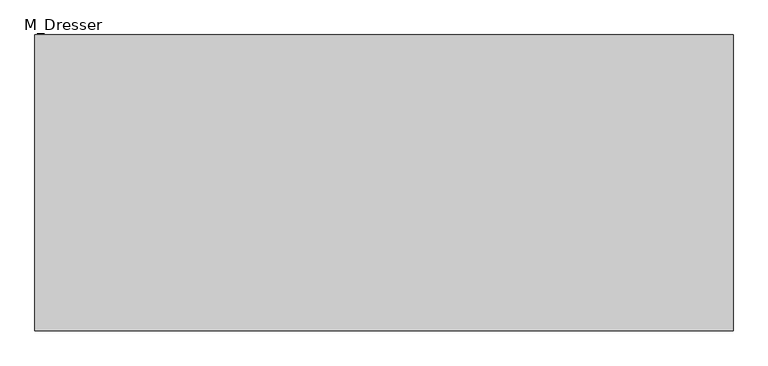
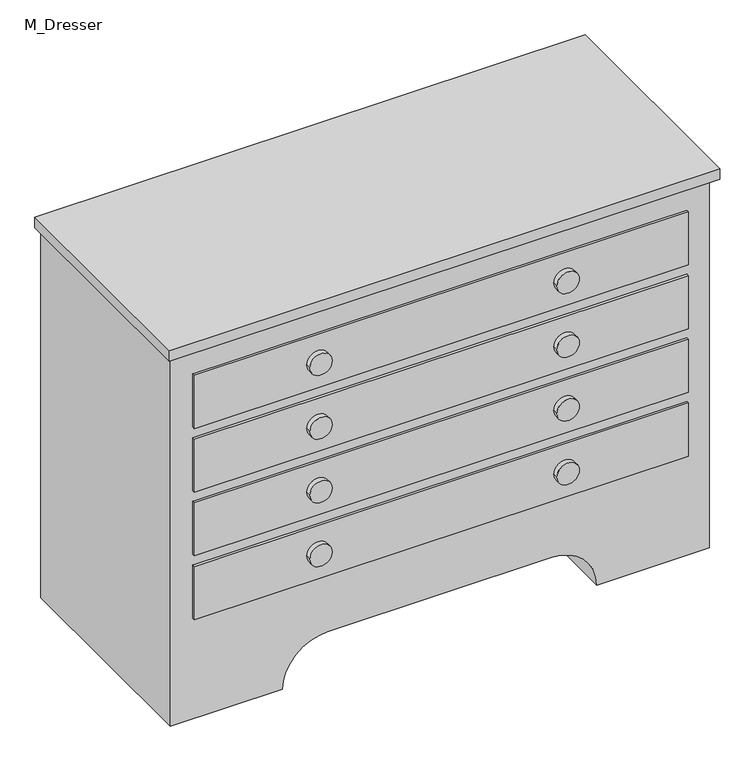
"""IFC4 building model written with IfcOpenShell, lengths in millimetres: furniture geometry, M_Dresser."""

import ifcopenshell
import ifcopenshell.guid

model = None  # the IFC model being written
_history = None  # IfcOwnerHistory: only IFC2X3 demands one
_inside = {}  # id of a spatial element -> (the spatial element, [elements in it])
_under = {}  # id of a project, library or spatial element -> (it, [spatial elements below it])
_declared = {}  # id of a project -> (the project, [libraries it declares])
_typed = {}  # id of a type object -> (the type object, [elements of that type])
_made_of = {}  # id of a material, layer set ... -> (it, [elements and type objects made of it])


def new_model(schema):
    """Start an empty IFC model of exactly this schema.

    Asked for "IFC4X3", IfcOpenShell would pick the latest addendum, in which some entities
    have other attributes; the version numbers below select the first issue.
    IFC2X3 requires an IfcOwnerHistory on every rooted entity: one is made here for all.
    """
    global model, _history
    if schema == "IFC4X3":
        model = ifcopenshell.file(schema_version=(4, 3, 0, 0))
    else:
        model = ifcopenshell.file(schema=schema)
    _inside.clear()
    _under.clear()
    _declared.clear()
    _typed.clear()
    _made_of.clear()
    _history = None
    if model.schema == "IFC2X3":
        org = make("IfcOrganization", Name="unknown")
        user = make(
            "IfcPersonAndOrganization",
            ThePerson=make("IfcPerson", FamilyName="unknown"),
            TheOrganization=org,
        )
        app = make(
            "IfcApplication",
            ApplicationDeveloper=org,
            Version="unknown",
            ApplicationFullName="unknown",
            ApplicationIdentifier="unknown",
        )
        _history = make(
            "IfcOwnerHistory",
            OwningUser=user,
            OwningApplication=app,
            ChangeAction="ADDED",
            CreationDate=0,
        )
    return model


def make(cls, **values):
    """One entity of the class cls with the attributes given. An attribute that is None is left unset."""
    return model.create_entity(
        cls, **{name: value for name, value in values.items() if value is not None}
    )


def rooted(cls, **values):
    """An entity with a GlobalId (a new one), such as an element, a storey or a relation."""
    return make(cls, GlobalId=ifcopenshell.guid.new(), OwnerHistory=_history, **values)


def si_unit(unit_type, name, prefix=None):
    """IfcSIUnit, for example si_unit("LENGTHUNIT", "METRE", prefix="MILLI")."""
    return make("IfcSIUnit", UnitType=unit_type, Prefix=prefix, Name=name)


def assignment(units):
    """IfcUnitAssignment: the units of a project."""
    return None if units is None else make("IfcUnitAssignment", Units=units)


def point(xyz):
    """IfcCartesianPoint."""
    return None if xyz is None else make("IfcCartesianPoint", Coordinates=xyz)


def direction(xyz):
    """IfcDirection."""
    return None if xyz is None else make("IfcDirection", DirectionRatios=xyz)


def frame(location, z_axis=None, x_axis=None):
    """IfcAxis2Placement3D, a coordinate frame: its origin and axes. An axis left out is left unset."""
    return make(
        "IfcAxis2Placement3D",
        Location=point(location),
        Axis=direction(z_axis),
        RefDirection=direction(x_axis),
    )


def frame_2d(location, x_axis=None):
    """IfcAxis2Placement2D, a coordinate frame in the plane: its origin and x axis."""
    return make(
        "IfcAxis2Placement2D", Location=point(location), RefDirection=direction(x_axis)
    )


def origin():
    """The frame at (0, 0, 0) with its axes left unset."""
    return frame((0.0, 0.0, 0.0))


def place(relative_to, where):
    """IfcLocalPlacement: puts the frame where relative to a parent placement (None: the world)."""
    return make(
        "IfcLocalPlacement", PlacementRelTo=relative_to, RelativePlacement=where
    )


def context(
    kind, dimensions, precision=None, world=None, true_north=None, identifier=None
):
    """IfcGeometricRepresentationContext, for example the 3D "Model" context."""
    return make(
        "IfcGeometricRepresentationContext",
        ContextIdentifier=identifier,
        ContextType=kind,
        CoordinateSpaceDimension=dimensions,
        Precision=precision,
        WorldCoordinateSystem=world,
        TrueNorth=true_north,
    )


def project(units=None, contexts=None):
    """IfcProject with its units and contexts."""
    return rooted(
        "IfcProject",
        Name="project",
        RepresentationContexts=contexts,
        UnitsInContext=assignment(units),
    )


def spatial(cls, under=None, at=None, **own):
    """A site, building, storey or space (cls), placed at a placement, below another one or the project."""
    s = rooted(cls, ObjectPlacement=at, **own)
    if under is not None:
        _under.setdefault(under.id(), (under, []))[1].append(s)
    return s


def polyline(points):
    """IfcPolyline through the points."""
    return make("IfcPolyline", Points=[point(p) for p in points])


def circle_curve(where, radius):
    """IfcCircle in the frame where."""
    return make("IfcCircle", Position=where, Radius=radius)


def trimmed(basis, trim1, trim2, sense, master):
    """IfcTrimmedCurve: the piece of a basis curve between two trims."""
    return make(
        "IfcTrimmedCurve",
        BasisCurve=basis,
        Trim1=trim1,
        Trim2=trim2,
        SenseAgreement=sense,
        MasterRepresentation=master,
    )


def segment(curve, same_sense, transition):
    """IfcCompositeCurveSegment."""
    return make(
        "IfcCompositeCurveSegment",
        Transition=transition,
        SameSense=same_sense,
        ParentCurve=curve,
    )


def composite_curve(segments, self_intersect=None):
    """IfcCompositeCurve: segments joined end to end."""
    return make("IfcCompositeCurve", Segments=segments, SelfIntersect=self_intersect)


def outline(outer, holes=None, kind="AREA"):
    """IfcArbitraryClosedProfileDef: a profile drawn as a closed curve; with holes, ...WithVoids."""
    if holes is None:
        return make("IfcArbitraryClosedProfileDef", ProfileType=kind, OuterCurve=outer)
    return make(
        "IfcArbitraryProfileDefWithVoids",
        ProfileType=kind,
        OuterCurve=outer,
        InnerCurves=holes,
    )


def extrude(swept, where, along, depth):
    """IfcExtrudedAreaSolid: the profile swept, set in the frame where, extruded along a direction by depth."""
    return make(
        "IfcExtrudedAreaSolid",
        SweptArea=swept,
        Position=where,
        ExtrudedDirection=direction(along),
        Depth=depth,
    )


def shape(context_of_items, identifier, shape_type, items):
    """IfcShapeRepresentation: the items that make up one representation, for example the "Body"."""
    return make(
        "IfcShapeRepresentation",
        ContextOfItems=context_of_items,
        RepresentationIdentifier=identifier,
        RepresentationType=shape_type,
        Items=items,
    )


def source(mapping_origin, context_of_items, identifier, shape_type, items):
    """IfcRepresentationMap: a shape defined once, which mapped items show again and again."""
    return make(
        "IfcRepresentationMap",
        MappingOrigin=mapping_origin,
        MappedRepresentation=shape(context_of_items, identifier, shape_type, items),
    )


def transform(
    local_origin,
    x_axis=None,
    y_axis=None,
    z_axis=None,
    scale=None,
    scale2=None,
    scale3=None,
    uniform=True,
):
    """IfcCartesianTransformationOperator3D, or its non-uniform kind. x_axis, y_axis, z_axis: its Axis1, 2, 3."""
    if uniform:
        return make(
            "IfcCartesianTransformationOperator3D",
            Axis1=direction(x_axis),
            Axis2=direction(y_axis),
            LocalOrigin=point(local_origin),
            Scale=scale,
            Axis3=direction(z_axis),
        )
    return make(
        "IfcCartesianTransformationOperator3DnonUniform",
        Axis1=direction(x_axis),
        Axis2=direction(y_axis),
        LocalOrigin=point(local_origin),
        Scale=scale,
        Axis3=direction(z_axis),
        Scale2=scale2,
        Scale3=scale3,
    )


def mapped(mapping_source, mapping_target):
    """IfcMappedItem: shows the shape of a source again, moved by a transform."""
    return make(
        "IfcMappedItem", MappingSource=mapping_source, MappingTarget=mapping_target
    )


def made_of(thing, what):
    """Note that an element or type object is made of a material, layer set ...; save() writes the relation."""
    if what is not None:
        _made_of.setdefault(what.id(), (what, []))[1].append(thing)
    return thing


def element(
    cls,
    number,
    at=None,
    inside=None,
    cuts=None,
    type_object=None,
    material=None,
    context=None,
    identifier="Body",
    shape_type=None,
    held_by="IfcProductDefinitionShape",
    body=None,
    shapes=None,
    **own,
):
    """One element of the class cls, such as IfcWall. Its Tag is "e" and its number.

    at: its placement. inside: the storey or other place that contains it. cuts: it is an
    opening in that element (IfcRelVoidsElement). A single representation is given by context,
    identifier, shape_type and body (its items); several are given by shapes. held_by: the class
    of the entity that holds the representations. save() writes the other relations.
    """
    e = rooted(cls, Tag="e%d" % number, ObjectPlacement=at, **own)
    if body is not None:
        shapes = [shape(context, identifier, shape_type, body)]
    if shapes is not None:
        e.Representation = make(held_by, Representations=shapes)
    if inside is not None:
        _inside.setdefault(inside.id(), (inside, []))[1].append(e)
    if cuts is not None:
        rooted(
            "IfcRelVoidsElement", RelatingBuildingElement=cuts, RelatedOpeningElement=e
        )
    if type_object is not None:
        _typed.setdefault(type_object.id(), (type_object, []))[1].append(e)
    return made_of(e, material)


def aggregate(whole, parts):
    """IfcRelAggregates: a whole, such as a stair, and the parts it consists of."""
    return rooted("IfcRelAggregates", RelatingObject=whole, RelatedObjects=parts)


def save(model, path):
    """Write the relations noted so far, then the file.

    IfcRelAggregates (storeys below a building ...), IfcRelContainedInSpatialStructure (elements
    in a storey), IfcRelDefinesByType, IfcRelAssociatesMaterial and IfcRelDeclares: one each for
    every whole, place, type object, material and project.
    """
    for whole, parts in _under.values():
        aggregate(whole, parts)
    for where, things in _inside.values():
        rooted(
            "IfcRelContainedInSpatialStructure",
            RelatedElements=things,
            RelatingStructure=where,
        )
    for kind, things in _typed.values():
        rooted("IfcRelDefinesByType", RelatedObjects=things, RelatingType=kind)
    for what, things in _made_of.values():
        rooted("IfcRelAssociatesMaterial", RelatedObjects=things, RelatingMaterial=what)
    for by, libraries in _declared.values():
        rooted("IfcRelDeclares", RelatingContext=by, RelatedDefinitions=libraries)
    model.write(path)


def m_dresser_9c24d4dd(model_context):
    return source(origin(), model_context, "Body", "SweptSolid", [
        extrude(outline(composite_curve([segment(polyline([(0.0, 340.4067402), (889.0, 340.4067402), (889.0, -878.7932598), (0.0, -878.7932598), (0.0, -624.7932598)]), True, "CONTINUOUS"), segment(trimmed(circle_curve(frame_2d((0.0, -523.1932598)), 101.6), [point((0.0, -624.7932598))], [point((101.6, -523.1932598))], True, "CARTESIAN"), True, "CONTINUOUS"), segment(polyline([(101.6, -523.1932598), (101.6, -15.1932598)]), True, "CONTINUOUS"), segment(trimmed(circle_curve(frame_2d((0.0, -15.1932598)), 101.6), [point((101.6, -15.1932598))], [point((0.0, 86.4067402))], True, "CARTESIAN"), True, "CONTINUOUS"), segment(polyline([(0.0, 86.4067402), (0.0, 340.4067402)]), True, "CONTINUOUS")], self_intersect=False)), frame((0.0, -617.1629541, 0.0), z_axis=(0.0, 1.0, 0.0), x_axis=(0.0, 0.0, 1.0)), (0.0, 0.0, 1.0), 508.0),
        extrude(outline(polyline([(353.1067402, -109.1629541), (353.1067402, -636.2129541), (-891.4932598, -636.2129541), (-891.4932598, -109.1629541), (353.1067402, -109.1629541)])), frame((0.0, 0.0, 889.0), z_axis=(0.0, 0.0, 1.0), x_axis=(1.0, 0.0, 0.0)), (0.0, 0.0, 1.0), 25.4),
        extrude(outline(polyline([(289.6067402, -623.5129541), (-827.9932598, -623.5129541), (-827.9932598, -617.1629541), (289.6067402, -617.1629541), (289.6067402, -623.5129541)])), frame((0.0, 0.0, 698.5), z_axis=(0.0, 0.0, 1.0), x_axis=(1.0, 0.0, 0.0)), (0.0, 0.0, 1.0), 127.0),
        extrude(outline(polyline([(289.6067402, -623.5129541), (-827.9932598, -623.5129541), (-827.9932598, -617.1629541), (289.6067402, -617.1629541), (289.6067402, -623.5129541)])), frame((0.0, 0.0, 546.1), z_axis=(0.0, 0.0, 1.0), x_axis=(1.0, 0.0, 0.0)), (0.0, 0.0, 1.0), 127.0),
        extrude(outline(polyline([(289.6067402, -623.5129541), (-827.9932598, -623.5129541), (-827.9932598, -617.1629541), (289.6067402, -617.1629541), (289.6067402, -623.5129541)])), frame((0.0, 0.0, 393.7), z_axis=(0.0, 0.0, 1.0), x_axis=(1.0, 0.0, 0.0)), (0.0, 0.0, 1.0), 127.0),
        extrude(outline(polyline([(289.6067402, -623.5129541), (-827.9932598, -623.5129541), (-827.9932598, -617.1629541), (289.6067402, -617.1629541), (289.6067402, -623.5129541)])), frame((0.0, 0.0, 241.3), z_axis=(0.0, 0.0, 1.0), x_axis=(1.0, 0.0, 0.0)), (0.0, 0.0, 1.0), 127.0),
        extrude(outline(composite_curve([segment(trimmed(circle_curve(frame_2d((762.0, 10.2067402)), 25.4), [point((762.0, -15.1932598))], [point((762.0, 35.6067402))], False, "CARTESIAN"), True, "CONTINUOUS"), segment(trimmed(circle_curve(frame_2d((762.0, 10.2067402)), 25.4), [point((762.0, 35.6067402))], [point((762.0, -15.1932598))], False, "CARTESIAN"), True, "CONTINUOUS")], self_intersect=False)), frame((0.0, -636.2129541, 0.0), z_axis=(0.0, 1.0, 0.0), x_axis=(0.0, 0.0, 1.0)), (0.0, 0.0, 1.0), 12.7),
        extrude(outline(composite_curve([segment(trimmed(circle_curve(frame_2d((609.6, 10.2067402)), 25.4), [point((609.6, -15.1932598))], [point((609.6, 35.6067402))], False, "CARTESIAN"), True, "CONTINUOUS"), segment(trimmed(circle_curve(frame_2d((609.6, 10.2067402)), 25.4), [point((609.6, 35.6067402))], [point((609.6, -15.1932598))], False, "CARTESIAN"), True, "CONTINUOUS")], self_intersect=False)), frame((0.0, -636.2129541, 0.0), z_axis=(0.0, 1.0, 0.0), x_axis=(0.0, 0.0, 1.0)), (0.0, 0.0, 1.0), 12.7),
        extrude(outline(composite_curve([segment(trimmed(circle_curve(frame_2d((457.2, 10.2067402)), 25.4), [point((457.2, -15.1932598))], [point((457.2, 35.6067402))], False, "CARTESIAN"), True, "CONTINUOUS"), segment(trimmed(circle_curve(frame_2d((457.2, 10.2067402)), 25.4), [point((457.2, 35.6067402))], [point((457.2, -15.1932598))], False, "CARTESIAN"), True, "CONTINUOUS")], self_intersect=False)), frame((0.0, -636.2129541, 0.0), z_axis=(0.0, 1.0, 0.0), x_axis=(0.0, 0.0, 1.0)), (0.0, 0.0, 1.0), 12.7),
        extrude(outline(composite_curve([segment(trimmed(circle_curve(frame_2d((304.8, 10.2067402)), 25.4), [point((304.8, -15.1932598))], [point((304.8, 35.6067402))], False, "CARTESIAN"), True, "CONTINUOUS"), segment(trimmed(circle_curve(frame_2d((304.8, 10.2067402)), 25.4), [point((304.8, 35.6067402))], [point((304.8, -15.1932598))], False, "CARTESIAN"), True, "CONTINUOUS")], self_intersect=False)), frame((0.0, -636.2129541, 0.0), z_axis=(0.0, 1.0, 0.0), x_axis=(0.0, 0.0, 1.0)), (0.0, 0.0, 1.0), 12.7),
        extrude(outline(composite_curve([segment(trimmed(circle_curve(frame_2d((304.8, -548.5932598)), 25.4), [point((304.8, -573.9932598))], [point((304.8, -523.1932598))], False, "CARTESIAN"), True, "CONTINUOUS"), segment(trimmed(circle_curve(frame_2d((304.8, -548.5932598)), 25.4), [point((304.8, -523.1932598))], [point((304.8, -573.9932598))], False, "CARTESIAN"), True, "CONTINUOUS")], self_intersect=False)), frame((0.0, -636.2129541, 0.0), z_axis=(0.0, 1.0, 0.0), x_axis=(0.0, 0.0, 1.0)), (0.0, 0.0, 1.0), 12.7),
        extrude(outline(composite_curve([segment(trimmed(circle_curve(frame_2d((457.2, -548.5932598)), 25.4), [point((457.2, -573.9932598))], [point((457.2, -523.1932598))], False, "CARTESIAN"), True, "CONTINUOUS"), segment(trimmed(circle_curve(frame_2d((457.2, -548.5932598)), 25.4), [point((457.2, -523.1932598))], [point((457.2, -573.9932598))], False, "CARTESIAN"), True, "CONTINUOUS")], self_intersect=False)), frame((0.0, -636.2129541, 0.0), z_axis=(0.0, 1.0, 0.0), x_axis=(0.0, 0.0, 1.0)), (0.0, 0.0, 1.0), 12.7),
        extrude(outline(composite_curve([segment(trimmed(circle_curve(frame_2d((609.6, -548.5932598)), 25.4), [point((609.6, -573.9932598))], [point((609.6, -523.1932598))], False, "CARTESIAN"), True, "CONTINUOUS"), segment(trimmed(circle_curve(frame_2d((609.6, -548.5932598)), 25.4), [point((609.6, -523.1932598))], [point((609.6, -573.9932598))], False, "CARTESIAN"), True, "CONTINUOUS")], self_intersect=False)), frame((0.0, -636.2129541, 0.0), z_axis=(0.0, 1.0, 0.0), x_axis=(0.0, 0.0, 1.0)), (0.0, 0.0, 1.0), 12.7),
        extrude(outline(composite_curve([segment(trimmed(circle_curve(frame_2d((762.0, -548.5932598)), 25.4), [point((762.0, -573.9932598))], [point((762.0, -523.1932598))], False, "CARTESIAN"), True, "CONTINUOUS"), segment(trimmed(circle_curve(frame_2d((762.0, -548.5932598)), 25.4), [point((762.0, -523.1932598))], [point((762.0, -573.9932598))], False, "CARTESIAN"), True, "CONTINUOUS")], self_intersect=False)), frame((0.0, -636.2129541, 0.0), z_axis=(0.0, 1.0, 0.0), x_axis=(0.0, 0.0, 1.0)), (0.0, 0.0, 1.0), 12.7),
    ])


if __name__ == "__main__":
    model = new_model("IFC4")
    model_context = context("Model", 3, world=origin())
    ifc_project = project(units=[si_unit("LENGTHUNIT", "METRE", prefix="MILLI")], contexts=[model_context])
    site = spatial("IfcSite", under=ifc_project)
    building = spatial("IfcBuilding", under=site)
    placement = place(None, origin())
    m_dresser_shape = m_dresser_9c24d4dd(model_context)
    element("IfcFurniture", 1, ObjectType="M_Dresser", at=placement, inside=building, context=model_context, shape_type="MappedRepresentation", body=[
        mapped(m_dresser_shape, transform((0.0, 0.0, 0.0), x_axis=(1.0, 0.0, 0.0), y_axis=(0.0, 1.0, 0.0), z_axis=(0.0, 0.0, 1.0))),
    ])
    save(model, "model.ifc")
